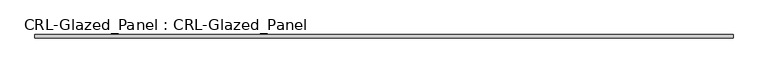
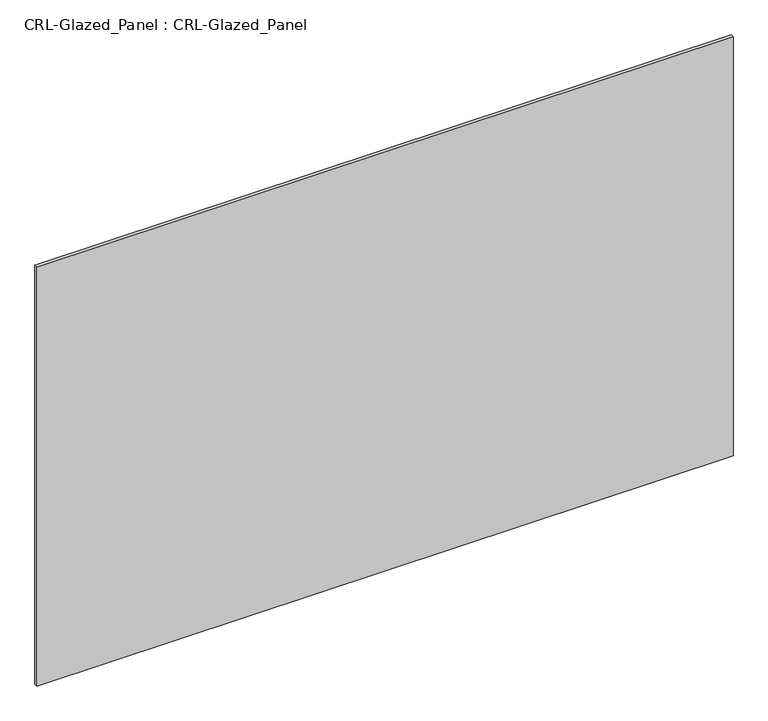
"""IFC4 building model written with IfcOpenShell, lengths in millimetres: plate geometry, CRL-Glazed_Panel : CRL-Glazed_Panel."""

from ifc_helpers import new_model, si_unit, origin, origin_with_axes, place, context, project, spatial, polyline, outline, extrude, source, transform, mapped, element, save


def crl_glazed_panel_crl_glazed_panel_0aa9b8bc(model_context):
    return source(origin(), model_context, "Body", "SweptSolid", [
        extrude(outline(polyline([(624.9458262, 3.1749999), (624.9458262, -3.1749999), (-624.9458262, -3.1749999), (-624.9458262, 3.1749999), (624.9458262, 3.1749999)])), origin_with_axes(), (0.0, 0.0, 1.0), 794.5565195),
    ])


if __name__ == "__main__":
    model = new_model("IFC4")
    model_context = context("Model", 3, world=origin())
    ifc_project = project(units=[si_unit("LENGTHUNIT", "METRE", prefix="MILLI")], contexts=[model_context])
    site = spatial("IfcSite", under=ifc_project)
    building = spatial("IfcBuilding", under=site)
    placement = place(None, origin())
    crl_glazed_panel_crl_glazed_panel_shape = crl_glazed_panel_crl_glazed_panel_0aa9b8bc(model_context)
    element("IfcPlate", 1, ObjectType="CRL-Glazed_Panel : CRL-Glazed_Panel", at=placement, inside=building, context=model_context, shape_type="MappedRepresentation", body=[
        mapped(crl_glazed_panel_crl_glazed_panel_shape, transform((0.0, 0.0, 0.0), x_axis=(1.0, 0.0, 0.0), y_axis=(0.0, 1.0, 0.0), z_axis=(0.0, 0.0, 1.0))),
    ])
    save(model, "model.ifc")
